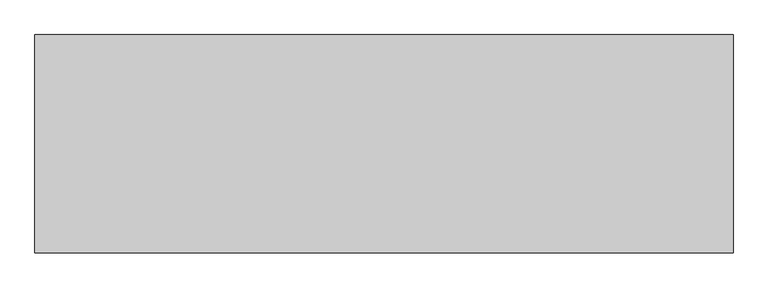
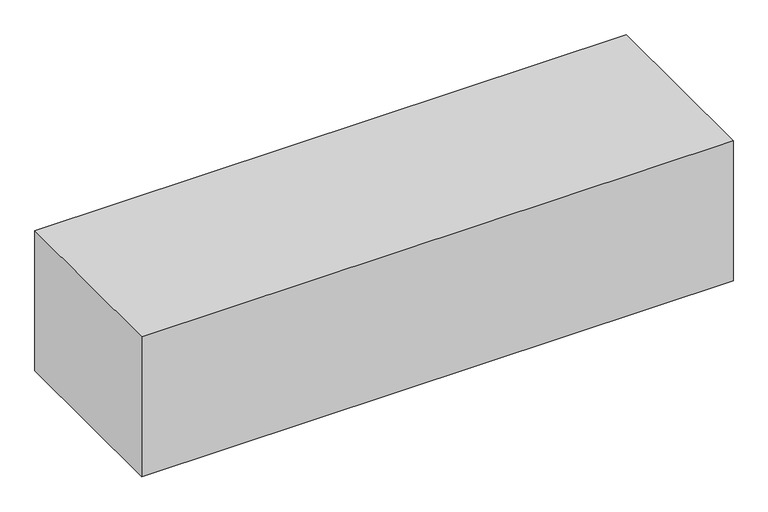
"""IFC4 building model written with IfcOpenShell, lengths in millimetres: geographic element geometry."""

from ifc_helpers import new_model, si_unit, origin, origin_with_axes, place, context, project, spatial, polyline, outline, extrude, source, transform, mapped, element, save


def geographic_element_253e0ccf(model_context):
    return source(origin(), model_context, "Body", "SweptSolid", [
        extrude(outline(polyline([(0.0, 0.0), (0.0, 500.0), (1600.0, 500.0), (1600.0, 0.0), (0.0, 0.0)])), origin_with_axes(), (0.0, 0.0, 1.0), 400.0),
    ])


if __name__ == "__main__":
    model = new_model("IFC4")
    model_context = context("Model", 3, world=origin())
    ifc_project = project(units=[si_unit("LENGTHUNIT", "METRE", prefix="MILLI")], contexts=[model_context])
    site = spatial("IfcSite", under=ifc_project)
    building = spatial("IfcBuilding", under=site)
    placement = place(None, origin())
    geographic_element_shape = geographic_element_253e0ccf(model_context)
    element("IfcGeographicElement", 1, at=placement, inside=building, context=model_context, shape_type="MappedRepresentation", body=[
        mapped(geographic_element_shape, transform((0.0, 0.0, 0.0), x_axis=(1.0, 0.0, 0.0), y_axis=(0.0, 1.0, 0.0), z_axis=(0.0, 0.0, 1.0))),
    ])
    save(model, "model.ifc")
